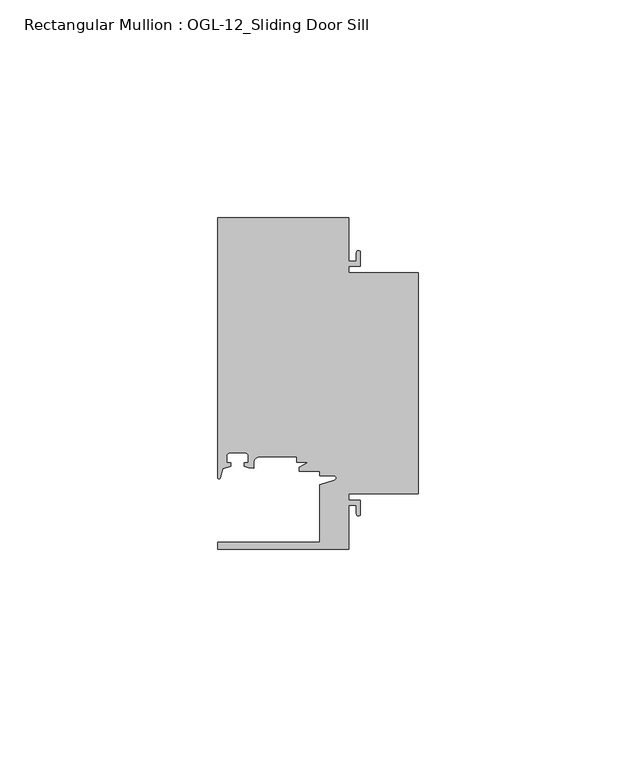
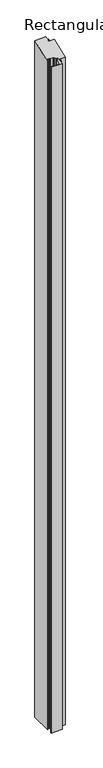
"""IFC4 building model written with IfcOpenShell, lengths in millimetres: member geometry, Rectangular Mullion : OGL-12_Sliding Door Sill."""

from ifc_helpers import new_model, si_unit, frame, origin, place, context, project, spatial, polyline, circle_curve, ellipse_curve, source, transform, mapped, element, save
from ifc_brep_helpers import plane_surface, cylinder_surface, revolved_surface, advanced_brep


def rectangular_mullion_ogl_12_sliding_door_sill_121b7e5a(model_context):
    return source(origin(), model_context, "Body", "AdvancedBrep", [
        advanced_brep(
        [(0.0, -25.4, -1935.1660402), (-15.934238, -25.4, -1935.1660402), (-15.934238, -26.8473009, -1935.1660402), (-13.2417195, -26.8473009, -1935.1660402), (-13.2417195, -30.0428503, -1935.1660402), (-14.15323, -30.0428503, -1935.1660402), (-14.15323, -28.0538009, -1935.1660402), (-15.934238, -28.0538009, -1935.1660402), (-15.934238, -38.0996792, -1935.1660402), (-46.0931306, -38.0996792, -1935.1660402), (-46.0931306, -36.5121792, -1935.1660402), (-22.6260049, -36.5121792, -1935.1660402), (-22.6260049, -23.2836666, -1935.1660402), (-19.2086572, -22.3037579, -1935.1660402), (-19.3562398, -21.2536528, -1935.1660402), (-22.6027094, -21.2536528, -1935.1660402), (-22.6027094, -20.2164975, -1935.1660402), (-27.2970068, -20.2164975, -1935.1660402), (-27.2970068, -19.265795, -1935.1660402), (-25.1995125, -18.1505375, -1935.1660402), (-27.9268052, -18.1505375, -1935.1660402), (-27.9268052, -16.8636789, -1935.1660402), (-36.3386331, -16.8636789, -1935.1660402), (-37.7528423, -18.2799969, -1935.1660402), (-37.7528423, -19.4819389, -1935.1660402), (-38.8813571, -19.4491353, -1935.1660402), (-39.9812066, -19.0676205, -1935.1660402), (-39.9812066, -18.2246744, -1935.1660402), (-39.0028438, -18.2246744, -1935.1660402), (-39.0028438, -16.7746773, -1935.1660402), (-39.8028422, -15.9746789, -1935.1660402), (-43.2028354, -15.9746789, -1935.1660402), (-44.0028338, -16.7746773, -1935.1660402), (-44.0028338, -18.2246744, -1935.1660402), (-43.0244711, -18.2246744, -1935.1660402), (-43.0244711, -19.0364336, -1935.1660402), (-44.83413, -19.6244274, -1935.1660402), (-45.434586, -21.7184665, -1935.1660402), (-46.0931306, -21.6259141, -1935.1660402), (-46.0931306, 38.1003208, -1935.1660402), (-15.934238, 38.1003208, -1935.1660402), (-15.934238, 28.0544425, -1935.1660402), (-14.15323, 28.0544425, -1935.1660402), (-14.15323, 30.0428503, -1935.1660402), (-13.2417195, 30.0428503, -1935.1660402), (-13.2417195, 26.8479425, -1935.1660402), (-15.934238, 26.8479425, -1935.1660402), (-15.934238, 25.4, -1935.1660402), (0.0, 25.4, -1935.1660402), (0.0, 25.4, 10.5210245), (0.0, -25.4, -10.5210245), (-15.934238, 25.4, 10.5210245), (-15.934238, 26.8479425, 11.1207819), (-13.2417195, 26.8479425, 11.1207819), (-13.2417195, 30.0428503, 12.444156), (-14.15323, 30.0428503, 12.444156), (-14.15323, 28.0544425, 11.6205306), (-15.934238, 28.0544425, 11.6205306), (-15.934238, 38.1003208, 15.7816696), (-46.0931306, 38.1003208, 15.7816696), (-46.0931306, -21.6259141, -8.9577469), (-45.434586, -21.7184665, -8.9960834), (-44.83413, -19.6244274, -8.128704), (-43.0244711, -19.0364336, -7.885149), (-43.0244711, -18.2246744, -7.5489073), (-44.0028338, -18.2246744, -7.5489073), (-44.0028338, -16.7746773, -6.9482988), (-43.2028354, -15.9746789, -6.6169287), (-39.8028422, -15.9746789, -6.6169287), (-39.0028438, -16.7746773, -6.9482988), (-39.0028438, -18.2246744, -7.5489073), (-39.9812066, -18.2246744, -7.5489073), (-39.9812066, -19.0676205, -7.898067), (-38.8813571, -19.4491353, -8.0560956), (-37.7528423, -19.4819389, -8.0696833), (-37.7528423, -18.2799969, -7.5718226), (-36.3386331, -16.8636789, -6.9851645), (-27.9268052, -16.8636789, -6.9851645), (-27.9268052, -18.1505375, -7.5181988), (-25.1995125, -18.1505375, -7.5181988), (-27.2970068, -19.265795, -7.9801536), (-27.2970068, -20.2164975, -8.3739475), (-22.6027094, -20.2164975, -8.3739475), (-22.6027094, -21.2536528, -8.8035512), (-19.3562398, -21.2536528, -8.8035512), (-19.2086572, -22.3037579, -9.238519), (-22.6260049, -23.2836666, -9.6444105), (-22.6260049, -36.5121792, -15.1238398), (-46.0931306, -36.5121792, -15.1238398), (-46.0931306, -38.0996792, -15.7814038), (-15.934238, -38.0996792, -15.7814038), (-15.934238, -28.0538009, -11.6202648), (-14.15323, -28.0538009, -11.6202648), (-14.15323, -30.0428503, -12.444156), (-13.2417195, -30.0428503, -12.444156), (-13.2417195, -26.8473009, -11.1205161), (-15.934238, -26.8473009, -11.1205161), (-15.934238, -25.4, -10.5210245)],
        [
            (0, 1),
            (1, 2),
            (2, 3),
            (3, 4),
            (4, 5, circle_curve(frame((-13.6974747, -30.0428503, -1935.1660402), z_axis=(0.0, 0.0, -1.0), x_axis=(1.0, 0.0, 0.0)), 0.4557552)),
            (5, 6),
            (6, 7),
            (7, 8),
            (8, 9),
            (9, 10),
            (10, 11),
            (11, 12),
            (12, 13),
            (13, 14, circle_curve(frame((-19.3562398, -21.789076, -1935.1660402), z_axis=(0.0, 0.0, 1.0), x_axis=(1.0, 0.0, 0.0)), 0.5354233)),
            (14, 15),
            (15, 16),
            (16, 17),
            (17, 18),
            (18, 19),
            (19, 20),
            (20, 21),
            (21, 22),
            (22, 23, circle_curve(frame((-36.3386331, -18.2778896, -1935.1660402), z_axis=(0.0, 0.0, 1.0), x_axis=(-0.9999999999986251, -1.6582437952564231e-06, 0.0)), 1.4142107)),
            (23, 24),
            (24, 25),
            (25, 26),
            (26, 27),
            (27, 28),
            (28, 29),
            (29, 30, circle_curve(frame((-39.8028422, -16.7746773, -1935.1660402), z_axis=(0.0, 0.0, 1.0), x_axis=(0.0, 1.0, 0.0)), 0.7999984)),
            (30, 31),
            (31, 32, circle_curve(frame((-43.2028354, -16.7746773, -1935.1660402), z_axis=(0.0, 0.0, 1.0), x_axis=(-1.0, 1.799826092248439e-12, 0.0)), 0.7999984)),
            (32, 33),
            (33, 34),
            (34, 35),
            (35, 36),
            (36, 37),
            (37, 38, circle_curve(frame((-45.7573546, -21.6259141, -1935.1660402), z_axis=(0.0, 0.0, -1.0), x_axis=(1.0, 0.0, 0.0)), 0.335776)),
            (38, 39),
            (39, 40),
            (40, 41),
            (41, 42),
            (42, 43),
            (43, 44, circle_curve(frame((-13.6974747, 30.0428503, -1935.1660402), z_axis=(0.0, 0.0, -1.0), x_axis=(1.0, 0.0, 0.0)), 0.4557552)),
            (44, 45),
            (45, 46),
            (46, 47),
            (47, 48),
            (48, 0),
            (49, 50),
            (50, 0),
            (48, 49),
            (51, 49),
            (47, 51),
            (52, 51),
            (46, 52),
            (53, 52),
            (45, 53),
            (54, 53),
            (44, 54),
            (55, 54, ellipse_curve(frame((-13.6974747, 30.0428503, 12.444156), z_axis=(0.0, 0.3826834323650908, -0.9238795325112864), x_axis=(0.0, 0.9238795325112864, 0.3826834323650905)), 0.4933059, 0.4557552)),
            (43, 55),
            (56, 55),
            (42, 56),
            (57, 56),
            (41, 57),
            (58, 57),
            (40, 58),
            (59, 58),
            (39, 59),
            (60, 59),
            (38, 60),
            (61, 60, ellipse_curve(frame((-45.7573546, -21.6259141, -8.9577469), z_axis=(0.0, 0.3826834323650908, -0.9238795325112864), x_axis=(0.0, 0.9238795325112864, 0.3826834323650905)), 0.3634413, 0.335776)),
            (37, 61),
            (62, 61),
            (36, 62),
            (63, 62),
            (35, 63),
            (64, 63),
            (34, 64),
            (65, 64),
            (33, 65),
            (66, 65),
            (32, 66),
            (67, 66, ellipse_curve(frame((-43.2028354, -16.7746773, -6.9482988), z_axis=(0.0, -0.3826834323650908, 0.9238795325112864), x_axis=(0.0, -0.9238795325112864, -0.3826834323650905)), 0.865912, 0.7999984)),
            (31, 67),
            (68, 67),
            (30, 68),
            (69, 68, ellipse_curve(frame((-39.8028422, -16.7746773, -6.9482988), z_axis=(0.0, -0.3826834323650908, 0.9238795325112864), x_axis=(0.0, -0.9238795325112864, -0.3826834323650905)), 0.865912, 0.7999984)),
            (29, 69),
            (70, 69),
            (28, 70),
            (71, 70),
            (27, 71),
            (72, 71),
            (26, 72),
            (73, 72),
            (25, 73),
            (74, 73),
            (24, 74),
            (75, 74),
            (23, 75),
            (76, 75, ellipse_curve(frame((-36.3386331, -18.2778896, -7.5709498), z_axis=(0.0, -0.3826834323650908, 0.9238795325112864), x_axis=(0.0, -0.9238795325112864, -0.3826834323650905)), 1.5307307, 1.4142107)),
            (22, 76),
            (77, 76),
            (21, 77),
            (78, 77),
            (20, 78),
            (79, 78),
            (19, 79),
            (80, 79),
            (18, 80),
            (81, 80),
            (17, 81),
            (82, 81),
            (16, 82),
            (83, 82),
            (15, 83),
            (84, 83),
            (14, 84),
            (85, 84, ellipse_curve(frame((-19.3562398, -21.789076, -9.0253308), z_axis=(0.0, -0.3826834323650908, 0.9238795325112864), x_axis=(0.0, -0.9238795325112864, -0.3826834323650905)), 0.579538, 0.5354233)),
            (13, 85),
            (86, 85),
            (12, 86),
            (87, 86),
            (11, 87),
            (88, 87),
            (10, 88),
            (89, 88),
            (9, 89),
            (90, 89),
            (8, 90),
            (91, 90),
            (7, 91),
            (92, 91),
            (6, 92),
            (93, 92),
            (5, 93),
            (94, 93, ellipse_curve(frame((-13.6974747, -30.0428503, -12.444156), z_axis=(0.0, 0.3826834323650908, -0.9238795325112864), x_axis=(0.0, 0.9238795325112864, 0.3826834323650905)), 0.4933059, 0.4557552)),
            (4, 94),
            (95, 94),
            (3, 95),
            (96, 95),
            (2, 96),
            (97, 96),
            (1, 97),
            (50, 97),
        ],
        [
            plane_surface(frame((0.0, -59.8014309, -1935.1660402), z_axis=(0.0, 0.0, -1.0), x_axis=(-1.0, 0.0, 0.0))),
            plane_surface(frame((0.0, -25.4, 0.0), z_axis=(1.0, 0.0, 0.0), x_axis=(0.0, 0.0, -1.0))),
            plane_surface(frame((0.0, 25.4, 0.0), z_axis=(0.0, 1.0, 0.0), x_axis=(0.0, 0.0, -1.0))),
            plane_surface(frame((-15.934238, 25.4, 0.0), z_axis=(1.0, 0.0, 0.0), x_axis=(0.0, 0.0, -1.0))),
            plane_surface(frame((-15.934238, 26.8479425, 0.0), z_axis=(0.0, -1.0, 0.0), x_axis=(0.0, 0.0, -1.0))),
            plane_surface(frame((-13.2417195, 26.8479425, 0.0), z_axis=(1.0, 0.0, 0.0), x_axis=(0.0, 0.0, -1.0))),
            cylinder_surface(frame((-13.6974747, 30.0428503, 0.0), z_axis=(0.0, 0.0, 1.0), x_axis=(1.0, 0.0, 0.0)), 0.4557552),
            plane_surface(frame((-14.15323, 30.0428503, 0.0), z_axis=(-1.0, 0.0, 0.0), x_axis=(0.0, 0.0, -1.0))),
            plane_surface(frame((-14.15323, 28.0544425, 0.0), z_axis=(0.0, 1.0, 0.0), x_axis=(0.0, 0.0, -1.0))),
            plane_surface(frame((-15.934238, 28.0544425, 0.0), z_axis=(1.0, 0.0, 0.0), x_axis=(0.0, 0.0, -1.0))),
            plane_surface(frame((-15.934238, 38.1003208, 0.0), z_axis=(0.0, 1.0, 0.0), x_axis=(0.0, 0.0, -1.0))),
            plane_surface(frame((-46.0931306, 38.1003208, 0.0), z_axis=(-1.0, 0.0, 0.0), x_axis=(0.0, 0.0, -1.0))),
            cylinder_surface(frame((-45.7573546, -21.6259141, 0.0), z_axis=(0.0, 0.0, 1.0), x_axis=(1.0, 0.0, 0.0)), 0.335776),
            plane_surface(frame((-45.434586, -21.7184665, 0.0), z_axis=(0.9612616959383194, -0.2756373558169974, 0.0), x_axis=(0.0, 0.0, -1.0))),
            plane_surface(frame((-44.83413, -19.6244274, 0.0), z_axis=(0.3090169943749513, -0.9510565162951524, 0.0), x_axis=(0.0, 0.0, -1.0))),
            plane_surface(frame((-43.0244711, -19.0364336, 0.0), z_axis=(1.0, 4.43377596609906e-12, 0.0), x_axis=(0.0, 0.0, -1.0))),
            plane_surface(frame((-43.0244711, -18.2246744, 0.0), z_axis=(-4.433747641661293e-12, 1.0, 0.0), x_axis=(0.0, 0.0, -1.0))),
            plane_surface(frame((-44.0028338, -18.2246744, 0.0), z_axis=(1.0, 0.0, 0.0), x_axis=(0.0, 0.0, -1.0))),
            revolved_surface(polyline([(-44.0028338, -16.77467729999856, -1935.1660402), (-44.0028338, -16.77467729999856, -6.616928623713879)]), (-43.2028354, -16.7746773, 0.0), (0.0, 0.0, -1.0)),
            plane_surface(frame((-43.2028354, -15.9746789, 0.0), z_axis=(0.0, -1.0, 0.0), x_axis=(0.0, 0.0, -1.0))),
            revolved_surface(polyline([(-39.8028422, -15.9746789, -1935.1660402), (-39.8028422, -15.9746789, -6.616928623713879)]), (-39.8028422, -16.7746773, 0.0), (0.0, 0.0, -1.0)),
            plane_surface(frame((-39.0028438, -16.7746773, 0.0), z_axis=(-1.0, 0.0, 0.0), x_axis=(0.0, 0.0, -1.0))),
            plane_surface(frame((-39.0028438, -18.2246744, 0.0), z_axis=(-4.433747641661293e-12, 1.0, 0.0), x_axis=(0.0, 0.0, -1.0))),
            plane_surface(frame((-39.9812066, -18.2246744, 0.0), z_axis=(-1.0, -4.433451685302712e-12, 0.0), x_axis=(0.0, 0.0, -1.0))),
            plane_surface(frame((-39.9812066, -19.0676205, 0.0), z_axis=(-0.32772245719498466, -0.94477404232445, 0.0), x_axis=(0.0, 0.0, -1.0))),
            plane_surface(frame((-38.8813571, -19.4491353, 0.0), z_axis=(-0.029055596517580287, -0.999577797027829, 0.0), x_axis=(0.0, 0.0, -1.0))),
            plane_surface(frame((-37.7528423, -19.4819389, 0.0), z_axis=(1.0, 0.0, 0.0), x_axis=(0.0, 0.0, -1.0))),
            revolved_surface(polyline([(-37.75284379999806, -18.27789194510612, -1935.1660402), (-37.75284379999806, -18.27789194510612, -6.9851645)]), (-36.3386331, -18.2778896, 0.0), (0.0, 0.0, -1.0)),
            plane_surface(frame((-36.3386331, -16.8636789, 0.0), z_axis=(0.0, -1.0, 0.0), x_axis=(0.0, 0.0, -1.0))),
            plane_surface(frame((-27.9268052, -16.8636789, 0.0), z_axis=(-1.0, 0.0, 0.0), x_axis=(0.0, 0.0, -1.0))),
            plane_surface(frame((-27.9268052, -18.1505375, 0.0), z_axis=(0.0, -1.0, 0.0), x_axis=(0.0, 0.0, -1.0))),
            plane_surface(frame((-25.1995125, -18.1505375, 0.0), z_axis=(-0.4694715627858938, 0.8829475928589254, 0.0), x_axis=(0.0, 0.0, -1.0))),
            plane_surface(frame((-27.2970068, -19.265795, 0.0), z_axis=(-1.0, 0.0, 0.0), x_axis=(0.0, 0.0, -1.0))),
            plane_surface(frame((-27.2970068, -20.2164975, 0.0), z_axis=(0.0, -1.0, 0.0), x_axis=(0.0, 0.0, -1.0))),
            plane_surface(frame((-22.6027094, -20.2164975, 0.0), z_axis=(-1.0, 0.0, 0.0), x_axis=(0.0, 0.0, -1.0))),
            plane_surface(frame((-22.6027094, -21.2536528, 0.0), z_axis=(0.0, -1.0, 0.0), x_axis=(0.0, 0.0, -1.0))),
            revolved_surface(polyline([(-18.8208165, -21.789076, -1935.1660402), (-18.8208165, -21.789076, -8.8035512)]), (-19.3562398, -21.789076, 0.0), (0.0, 0.0, -1.0)),
            plane_surface(frame((-19.2086572, -22.3037579, 0.0), z_axis=(-0.2756373558170016, 0.9612616959383182, 0.0), x_axis=(0.0, 0.0, -1.0))),
            plane_surface(frame((-22.6260049, -23.2836666, 0.0), z_axis=(-1.0, 0.0, 0.0), x_axis=(0.0, 0.0, -1.0))),
            plane_surface(frame((-22.6260049, -36.5121792, 0.0), z_axis=(0.0, 1.0, 0.0), x_axis=(0.0, 0.0, -1.0))),
            plane_surface(frame((-46.0931306, -36.5121792, 0.0), z_axis=(-1.0, 0.0, 0.0), x_axis=(0.0, 0.0, -1.0))),
            plane_surface(frame((-46.0931306, -38.0996792, 0.0), z_axis=(0.0, -1.0, 0.0), x_axis=(0.0, 0.0, -1.0))),
            plane_surface(frame((-15.934238, -38.0996792, 0.0), z_axis=(1.0, 0.0, 0.0), x_axis=(0.0, 0.0, -1.0))),
            plane_surface(frame((-15.934238, -28.0538009, 0.0), z_axis=(0.0, -1.0, 0.0), x_axis=(0.0, 0.0, -1.0))),
            plane_surface(frame((-14.15323, -28.0538009, 0.0), z_axis=(-1.0, 0.0, 0.0), x_axis=(0.0, 0.0, -1.0))),
            cylinder_surface(frame((-13.6974747, -30.0428503, 0.0), z_axis=(0.0, 0.0, 1.0), x_axis=(1.0, 0.0, 0.0)), 0.4557552),
            plane_surface(frame((-13.2417195, -30.0428503, 0.0), z_axis=(1.0, 0.0, 0.0), x_axis=(0.0, 0.0, -1.0))),
            plane_surface(frame((-13.2417195, -26.8473009, 0.0), z_axis=(0.0, 1.0, 0.0), x_axis=(0.0, 0.0, -1.0))),
            plane_surface(frame((-15.934238, -26.8473009, 0.0), z_axis=(1.0, 0.0, 0.0), x_axis=(0.0, 0.0, -1.0))),
            plane_surface(frame((-15.934238, -25.4, 0.0), z_axis=(0.0, -1.0, 0.0), x_axis=(0.0, 0.0, -1.0))),
            plane_surface(frame((304.8, 0.0, 0.0), z_axis=(0.0, -0.3826834323650908, 0.9238795325112864), x_axis=(0.0, -0.9238795325112864, -0.3826834323650908))),
        ],
        [
            (0, [[1, 2, 3, 4, 5, 6, 7, 8, 9, 10, 11, 12, 13, 14, 15, 16, 17, 18, 19, 20, 21, 22, 23, 24, 25, 26, 27, 28, 29, 30, 31, 32, 33, 34, 35, 36, 37, 38, 39, 40, 41, 42, 43, 44, 45, 46, 47, 48, 49]]),
            (1, [[50, 51, -49, 52]]),
            (2, [[53, -52, -48, 54]]),
            (3, [[55, -54, -47, 56]]),
            (4, [[57, -56, -46, 58]]),
            (5, [[59, -58, -45, 60]]),
            (6, [[61, -60, -44, 62]]),
            (7, [[63, -62, -43, 64]]),
            (8, [[65, -64, -42, 66]]),
            (9, [[67, -66, -41, 68]]),
            (10, [[69, -68, -40, 70]]),
            (11, [[71, -70, -39, 72]]),
            (12, [[73, -72, -38, 74]]),
            (13, [[75, -74, -37, 76]]),
            (14, [[77, -76, -36, 78]]),
            (15, [[79, -78, -35, 80]]),
            (16, [[81, -80, -34, 82]]),
            (17, [[83, -82, -33, 84]]),
            (18, [[85, -84, -32, 86]]),
            (19, [[87, -86, -31, 88]]),
            (20, [[89, -88, -30, 90]]),
            (21, [[91, -90, -29, 92]]),
            (22, [[93, -92, -28, 94]]),
            (23, [[95, -94, -27, 96]]),
            (24, [[97, -96, -26, 98]]),
            (25, [[99, -98, -25, 100]]),
            (26, [[101, -100, -24, 102]]),
            (27, [[103, -102, -23, 104]]),
            (28, [[105, -104, -22, 106]]),
            (29, [[107, -106, -21, 108]]),
            (30, [[109, -108, -20, 110]]),
            (31, [[111, -110, -19, 112]]),
            (32, [[113, -112, -18, 114]]),
            (33, [[115, -114, -17, 116]]),
            (34, [[117, -116, -16, 118]]),
            (35, [[119, -118, -15, 120]]),
            (36, [[121, -120, -14, 122]]),
            (37, [[123, -122, -13, 124]]),
            (38, [[125, -124, -12, 126]]),
            (39, [[127, -126, -11, 128]]),
            (40, [[129, -128, -10, 130]]),
            (41, [[131, -130, -9, 132]]),
            (42, [[133, -132, -8, 134]]),
            (43, [[135, -134, -7, 136]]),
            (44, [[137, -136, -6, 138]]),
            (45, [[139, -138, -5, 140]]),
            (46, [[141, -140, -4, 142]]),
            (47, [[143, -142, -3, 144]]),
            (48, [[145, -144, -2, 146]]),
            (49, [[147, -146, -1, -51]]),
            (50, [[-50, -53, -55, -57, -59, -61, -63, -65, -67, -69, -71, -73, -75, -77, -79, -81, -83, -85, -87, -89, -91, -93, -95, -97, -99, -101, -103, -105, -107, -109, -111, -113, -115, -117, -119, -121, -123, -125, -127, -129, -131, -133, -135, -137, -139, -141, -143, -145, -147]]),
        ],
    ),
    ])


if __name__ == "__main__":
    model = new_model("IFC4")
    model_context = context("Model", 3, world=origin())
    ifc_project = project(units=[si_unit("LENGTHUNIT", "METRE", prefix="MILLI")], contexts=[model_context])
    site = spatial("IfcSite", under=ifc_project)
    building = spatial("IfcBuilding", under=site)
    placement = place(None, origin())
    rectangular_mullion_ogl_12_sliding_door_sill_shape = rectangular_mullion_ogl_12_sliding_door_sill_121b7e5a(model_context)
    element("IfcMember", 1, ObjectType="Rectangular Mullion : OGL-12_Sliding Door Sill", at=placement, inside=building, context=model_context, shape_type="MappedRepresentation", body=[
        mapped(rectangular_mullion_ogl_12_sliding_door_sill_shape, transform((0.0, 0.0, 0.0), x_axis=(1.0, 0.0, 0.0), y_axis=(0.0, 1.0, 0.0), z_axis=(0.0, 0.0, 1.0))),
    ])
    save(model, "model.ifc")
